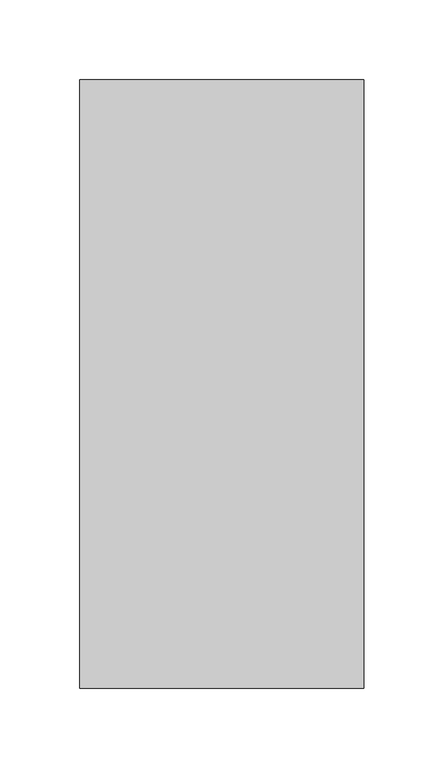
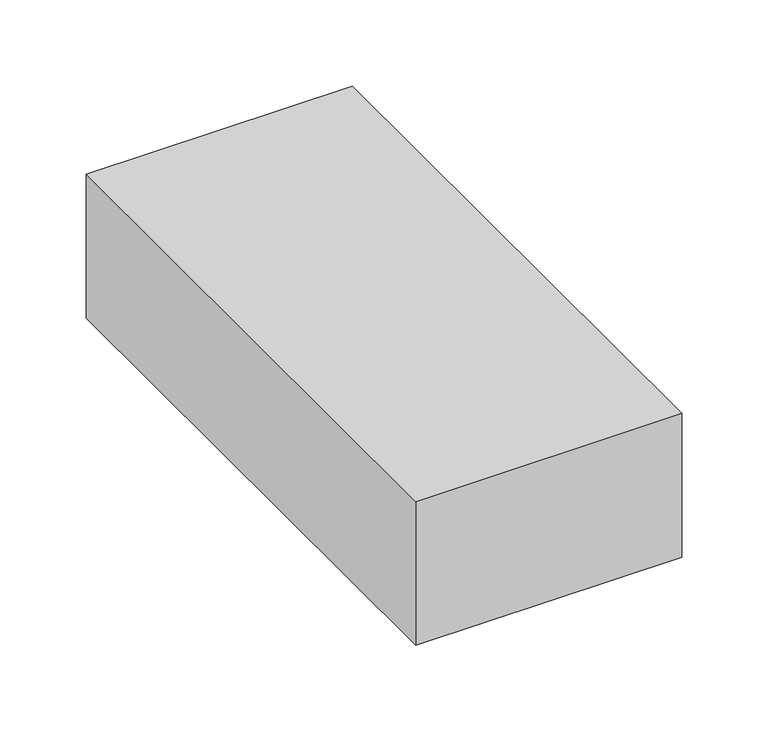
"""IFC4 building model written with IfcOpenShell, lengths in millimetres: proxy geometry."""

from ifc_helpers import new_model, si_unit, point, frame, frame_2d, origin, origin_with_axes, place, context, project, spatial, polyline, circle_curve, ellipse_curve, trimmed, segment, composite_curve, outline, extrude, source, transform, mapped, element, save
from ifc_brep_helpers import plane_surface, cylinder_surface, revolved_surface, advanced_brep


def specialty_equipment_267c1d23(model_context):
    return source(origin(), model_context, "Body", "SolidModel", [
        extrude(outline(polyline([(88.9, 190.5), (88.9, -190.5), (-88.9, -190.5), (-88.9, 190.5), (88.9, 190.5)])), origin_with_axes(), (0.0, 0.0, 1.0), 101.6),
        extrude(outline(composite_curve([segment(polyline([(0.0, -73.025), (0.0, 73.025), (50.8, 73.025)]), True, "CONTINUOUS"), segment(trimmed(circle_curve(frame_2d((50.8, 66.675)), 6.35), [point((50.8, 73.025))], [point((57.15, 66.675))], False, "CARTESIAN"), True, "CONTINUOUS"), segment(polyline([(57.15, 66.675), (57.15, -66.675)]), True, "CONTINUOUS"), segment(trimmed(circle_curve(frame_2d((50.8, -66.675)), 6.35), [point((57.15, -66.675))], [point((50.8, -73.025))], False, "CARTESIAN"), True, "CONTINUOUS"), segment(polyline([(50.8, -73.025), (0.0, -73.025)]), True, "CONTINUOUS")], self_intersect=False)), frame((0.0, -98.425, 0.0), z_axis=(0.0, 1.0, 0.0), x_axis=(0.0, 0.0, 1.0)), (0.0, 0.0, 1.0), 1.5875),
        extrude(outline(composite_curve([segment(trimmed(circle_curve(frame_2d((41.275, 0.0)), 9.525), [point((41.275, -9.525))], [point((41.275, 9.525))], False, "CARTESIAN"), True, "CONTINUOUS"), segment(trimmed(circle_curve(frame_2d((41.275, 0.0)), 9.525), [point((41.275, 9.525))], [point((41.275, -9.525))], False, "CARTESIAN"), True, "CONTINUOUS")], self_intersect=False)), frame((0.0, -111.125, 0.0), z_axis=(0.0, 1.0, 0.0), x_axis=(0.0, 0.0, 1.0)), (0.0, 0.0, 1.0), 12.7),
        extrude(outline(composite_curve([segment(polyline([(68.2625, 66.675), (68.2625, -66.675)]), True, "CONTINUOUS"), segment(trimmed(circle_curve(frame_2d((50.8, -66.675)), 17.4625), [point((68.2625, -66.675))], [point((50.8, -84.1375))], False, "CARTESIAN"), True, "CONTINUOUS"), segment(polyline([(50.8, -84.1375), (0.0, -84.1375), (0.0, 84.1375), (50.8, 84.1375)]), True, "CONTINUOUS"), segment(trimmed(circle_curve(frame_2d((50.8, 66.675)), 17.4625), [point((50.8, 84.1375))], [point((68.2625, 66.675))], False, "CARTESIAN"), True, "CONTINUOUS")], self_intersect=False)), frame((0.0, -28.575, 0.0), z_axis=(0.0, 1.0, 0.0), x_axis=(0.0, 0.0, 1.0)), (0.0, 0.0, 1.0), 111.125),
        extrude(outline(composite_curve([segment(polyline([(50.8, -85.725), (0.0, -85.725), (0.0, -84.1375), (50.8, -84.1375)]), True, "CONTINUOUS"), segment(trimmed(circle_curve(frame_2d((50.8, -66.675)), 17.4625), [point((50.8, -84.1375))], [point((68.2625, -66.675))], True, "CARTESIAN"), True, "CONTINUOUS"), segment(polyline([(68.2625, -66.675), (68.2625, 66.675)]), True, "CONTINUOUS"), segment(trimmed(circle_curve(frame_2d((50.8, 66.675)), 17.4625), [point((68.2625, 66.675))], [point((50.8, 84.1375))], True, "CARTESIAN"), True, "CONTINUOUS"), segment(polyline([(50.8, 84.1375), (0.0, 84.1375), (0.0, 85.725), (50.8, 85.725)]), True, "CONTINUOUS"), segment(trimmed(circle_curve(frame_2d((50.8, 66.675)), 19.05), [point((50.8, 85.725))], [point((69.85, 66.675))], False, "CARTESIAN"), True, "CONTINUOUS"), segment(polyline([(69.85, 66.675), (69.85, -66.675)]), True, "CONTINUOUS"), segment(trimmed(circle_curve(frame_2d((50.8, -66.675)), 19.05), [point((69.85, -66.675))], [point((50.8, -85.725))], False, "CARTESIAN"), True, "CONTINUOUS")], self_intersect=False)), frame((0.0, -28.575, 0.0), z_axis=(0.0, 1.0, 0.0), x_axis=(0.0, 0.0, 1.0)), (0.0, 0.0, 1.0), 152.5055496),
        advanced_brep(
        [(-85.725, 165.1, 0.0), (-73.025, 177.8, 0.0), (-73.025, 176.2125, 0.0), (-84.1375, 165.1, 0.0), (-84.1375, 123.9305496, 0.0), (-85.725, 123.9305496, 0.0), (-85.725, 165.1, 50.8), (-73.025, 177.8, 50.8), (-73.025, 176.2125, 50.8), (-84.1375, 165.1, 50.8), (-84.1375, 123.9305496, 50.8), (-66.675, 123.9305496, 68.2625), (66.675, 123.9305496, 68.2625), (84.1375, 123.9305496, 50.8), (84.1375, 123.9305496, 0.0), (85.725, 123.9305496, 0.0), (85.725, 123.9305496, 50.8), (66.675, 123.9305496, 69.85), (-66.675, 123.9305496, 69.85), (-85.725, 123.9305496, 50.8), (-66.675, 177.8, 57.15), (-66.675, 165.1, 69.85), (-66.675, 176.2125, 57.15), (-66.675, 165.1, 68.2625), (66.675, 165.1, 69.85), (66.675, 177.8, 57.15), (66.675, 176.2125, 57.15), (66.675, 165.1, 68.2625), (73.025, 177.8, 50.8), (85.725, 165.1, 50.8), (73.025, 176.2125, 50.8), (84.1375, 165.1, 50.8), (85.725, 165.1, 0.0), (84.1375, 165.1, 0.0), (73.025, 176.2125, 0.0), (73.025, 177.8, 0.0)],
        [
            (0, 1, circle_curve(frame((-73.025, 165.1, 0.0), z_axis=(0.0, 0.0, -1.0), x_axis=(1.0, 0.0, 0.0)), 12.7)),
            (1, 2),
            (2, 3, circle_curve(frame((-73.025, 165.1, 0.0), z_axis=(0.0, 0.0, 1.0), x_axis=(1.0, 0.0, 0.0)), 11.1125)),
            (3, 4),
            (4, 5),
            (5, 0),
            (0, 6),
            (6, 7, circle_curve(frame((-73.025, 165.1, 50.8), z_axis=(0.0, 0.0, -1.0), x_axis=(1.0, 0.0, 0.0)), 12.7)),
            (7, 1),
            (7, 8),
            (8, 2),
            (8, 9, circle_curve(frame((-73.025, 165.1, 50.8), z_axis=(0.0, 0.0, 1.0), x_axis=(1.0, 0.0, 0.0)), 11.1125)),
            (9, 3),
            (9, 10),
            (10, 4),
            (10, 11, circle_curve(frame((-66.675, 123.9305496, 50.8), z_axis=(0.0, 1.0, 0.0), x_axis=(-1.0, 0.0, 0.0)), 17.4625)),
            (11, 12),
            (12, 13, circle_curve(frame((66.675, 123.9305496, 50.8), z_axis=(0.0, 1.0, 0.0), x_axis=(0.0, 0.0, 1.0)), 17.4625)),
            (13, 14),
            (14, 15),
            (15, 16),
            (16, 17, circle_curve(frame((66.675, 123.9305496, 50.8), z_axis=(0.0, -1.0, 0.0), x_axis=(0.0, 0.0, 1.0)), 19.05)),
            (17, 18),
            (18, 19, circle_curve(frame((-66.675, 123.9305496, 50.8), z_axis=(0.0, -1.0, 0.0), x_axis=(-1.0, 0.0, 0.0)), 19.05)),
            (19, 5),
            (19, 6),
            (20, 7, circle_curve(frame((-66.675, 177.8, 50.8), z_axis=(0.0, -1.0, 0.0), x_axis=(-1.0, 0.0, 0.0)), 6.35)),
            (6, 21, circle_curve(frame((-66.675, 165.1, 50.8), z_axis=(0.0, 1.0, 0.0), x_axis=(-1.0, 0.0, 0.0)), 19.05)),
            (21, 20, circle_curve(frame((-66.675, 165.1, 57.15), z_axis=(-1.0, 0.0, 0.0), x_axis=(0.0, 0.0, -1.0)), 12.7)),
            (22, 8, circle_curve(frame((-66.675, 176.2125, 50.8), z_axis=(0.0, -1.0, 0.0), x_axis=(-1.0, 0.0, 0.0)), 6.35)),
            (20, 22),
            (23, 9, circle_curve(frame((-66.675, 165.1, 50.8), z_axis=(0.0, -1.0, 0.0), x_axis=(-1.0, 0.0, 0.0)), 17.4625)),
            (22, 23, circle_curve(frame((-66.675, 165.1, 57.15), z_axis=(1.0, 0.0, 0.0), x_axis=(0.0, 0.0, -1.0)), 11.1125)),
            (23, 11),
            (18, 21),
            (21, 24),
            (24, 25, circle_curve(frame((66.675, 165.1, 57.15), z_axis=(-1.0, 0.0, 0.0), x_axis=(0.0, 0.0, -1.0)), 12.7)),
            (25, 20),
            (25, 26),
            (26, 22),
            (26, 27, circle_curve(frame((66.675, 165.1, 57.15), z_axis=(1.0, 0.0, 0.0), x_axis=(0.0, 0.0, -1.0)), 11.1125)),
            (27, 23),
            (27, 12),
            (17, 24),
            (28, 25, circle_curve(frame((66.675, 177.8, 50.8), z_axis=(0.0, -1.0, 0.0), x_axis=(0.0, 0.0, 1.0)), 6.35)),
            (24, 29, circle_curve(frame((66.675, 165.1, 50.8), z_axis=(0.0, 1.0, 0.0), x_axis=(0.0, 0.0, 1.0)), 19.05)),
            (29, 28, circle_curve(frame((73.025, 165.1, 50.8), z_axis=(0.0, 0.0, 1.0), x_axis=(-1.0, 0.0, 0.0)), 12.7)),
            (30, 26, circle_curve(frame((66.675, 176.2125, 50.8), z_axis=(0.0, -1.0, 0.0), x_axis=(0.0, 0.0, 1.0)), 6.35)),
            (28, 30),
            (31, 27, circle_curve(frame((66.675, 165.1, 50.8), z_axis=(0.0, -1.0, 0.0), x_axis=(0.0, 0.0, 1.0)), 17.4625)),
            (30, 31, circle_curve(frame((73.025, 165.1, 50.8), z_axis=(0.0, 0.0, -1.0), x_axis=(-1.0, 0.0, 0.0)), 11.1125)),
            (31, 13),
            (16, 29),
            (32, 15),
            (14, 33),
            (33, 34, circle_curve(frame((73.025, 165.1, 0.0), z_axis=(0.0, 0.0, 1.0), x_axis=(-1.0, 0.0, 0.0)), 11.1125)),
            (34, 35),
            (35, 32, circle_curve(frame((73.025, 165.1, 0.0), z_axis=(0.0, 0.0, -1.0), x_axis=(-1.0, 0.0, 0.0)), 12.7)),
            (29, 32),
            (35, 28),
            (34, 30),
            (33, 31),
        ],
        [
            plane_surface(frame((-85.725, 114.3, 0.0), z_axis=(0.0, 0.0, -1.0), x_axis=(0.0, 1.0, 0.0))),
            cylinder_surface(frame((-73.025, 165.1, 0.0), z_axis=(0.0, 0.0, -1.0), x_axis=(1.0, 0.0, 0.0)), 12.7),
            plane_surface(frame((-73.025, 177.8, 0.0), z_axis=(1.0, 0.0, 0.0), x_axis=(0.0, 0.0, 1.0))),
            revolved_surface(polyline([(-61.91250000000001, 165.1, 50.8), (-61.91250000000001, 165.1, 0.0)]), (-73.025, 165.1, 0.0), (0.0, 0.0, 1.0)),
            plane_surface(frame((-84.1375, 165.1, 0.0), z_axis=(1.0, 0.0, 0.0), x_axis=(0.0, 0.0, 1.0))),
            plane_surface(frame((-84.1375, 123.9305496, 0.0), z_axis=(0.0, -1.0, 0.0), x_axis=(0.0, 0.0, 1.0))),
            plane_surface(frame((-85.725, 123.9305496, 0.0), z_axis=(-1.0, 0.0, 0.0), x_axis=(0.0, 0.0, 1.0))),
            revolved_surface(trimmed(ellipse_curve(frame((-73.025, 165.1, 50.8), z_axis=(0.0, 0.0, -1.0), x_axis=(1.0, 0.0, 0.0)), 12.7, 12.7), [point((-85.725, 165.1, 50.8))], [point((-73.025, 177.8, 50.8))], True, "CARTESIAN"), (-66.675, 114.3, 50.8), (0.0, 1.0, 0.0)),
            revolved_surface(polyline([(-73.02499999999999, 177.8, 50.8), (-73.02499999999999, 176.2125, 50.8)]), (-66.675, 114.3, 50.8), (0.0, 1.0, 0.0)),
            revolved_surface(trimmed(ellipse_curve(frame((-73.025, 165.1, 50.8), z_axis=(0.0, 0.0, 1.0), x_axis=(1.0, 0.0, 0.0)), 11.1125, 11.1125), [point((-73.025, 176.2125, 50.8))], [point((-84.1375, 165.1, 50.8))], True, "CARTESIAN"), (-66.675, 114.3, 50.8), (0.0, 1.0, 0.0)),
            revolved_surface(polyline([(-84.13749999999999, 165.1, 50.8), (-84.13749999999999, 123.9305496, 50.8)]), (-66.675, 114.3, 50.8), (0.0, 1.0, 0.0)),
            cylinder_surface(frame((-66.675, 114.3, 50.8), z_axis=(0.0, 1.0, 0.0), x_axis=(-1.0, 0.0, 0.0)), 19.05),
            cylinder_surface(frame((-66.675, 165.1, 57.15), z_axis=(-1.0, 0.0, 0.0), x_axis=(0.0, 0.0, -1.0)), 12.7),
            plane_surface(frame((-66.675, 177.8, 57.15), z_axis=(0.0, 0.0, -1.0), x_axis=(1.0, 0.0, 0.0))),
            revolved_surface(polyline([(66.675, 165.1, 46.037499999999994), (-66.675, 165.1, 46.037499999999994)]), (-66.675, 165.1, 57.15), (1.0, 0.0, 0.0)),
            plane_surface(frame((-66.675, 165.1, 68.2625), z_axis=(0.0, 0.0, -1.0), x_axis=(1.0, 0.0, 0.0))),
            plane_surface(frame((-66.675, 123.9305496, 69.85), z_axis=(0.0, 0.0, 1.0), x_axis=(1.0, 0.0, 0.0))),
            revolved_surface(trimmed(ellipse_curve(frame((66.675, 165.1, 57.15), z_axis=(-1.0, 0.0, 0.0), x_axis=(0.0, 0.0, -1.0)), 12.7, 12.7), [point((66.675, 165.1, 69.85))], [point((66.675, 177.8, 57.15))], True, "CARTESIAN"), (66.675, 114.3, 50.8), (0.0, 1.0, 0.0)),
            revolved_surface(polyline([(66.675, 177.8, 57.15), (66.675, 176.2125, 57.15)]), (66.675, 114.3, 50.8), (0.0, 1.0, 0.0)),
            revolved_surface(trimmed(ellipse_curve(frame((66.675, 165.1, 57.15), z_axis=(1.0, 0.0, 0.0), x_axis=(0.0, 0.0, -1.0)), 11.1125, 11.1125), [point((66.675, 176.2125, 57.15))], [point((66.675, 165.1, 68.2625))], True, "CARTESIAN"), (66.675, 114.3, 50.8), (0.0, 1.0, 0.0)),
            revolved_surface(polyline([(66.675, 165.1, 68.26249999999999), (66.675, 123.9305496, 68.26249999999999)]), (66.675, 114.3, 50.8), (0.0, 1.0, 0.0)),
            cylinder_surface(frame((66.675, 114.3, 50.8), z_axis=(0.0, 1.0, 0.0), x_axis=(0.0, 0.0, 1.0)), 19.05),
            plane_surface(frame((85.725, 114.3, 0.0), z_axis=(0.0, 0.0, -1.0), x_axis=(0.0, 1.0, 0.0))),
            cylinder_surface(frame((73.025, 165.1, 50.8), z_axis=(0.0, 0.0, 1.0), x_axis=(-1.0, 0.0, 0.0)), 12.7),
            plane_surface(frame((73.025, 177.8, 50.8), z_axis=(-1.0, 0.0, 0.0), x_axis=(0.0, 0.0, -1.0))),
            revolved_surface(polyline([(61.91250000000001, 165.1, 0.0), (61.91250000000001, 165.1, 50.8)]), (73.025, 165.1, 50.8), (0.0, 0.0, -1.0)),
            plane_surface(frame((84.1375, 165.1, 50.8), z_axis=(-1.0, 0.0, 0.0), x_axis=(0.0, 0.0, -1.0))),
            plane_surface(frame((85.725, 123.9305496, 50.8), z_axis=(1.0, 0.0, 0.0), x_axis=(0.0, 0.0, -1.0))),
        ],
        [
            (0, [[1, 2, 3, 4, 5, 6]]),
            (1, [[-1, 7, 8, 9]]),
            (2, [[-2, -9, 10, 11]]),
            (3, [[-3, -11, 12, 13]]),
            (4, [[-4, -13, 14, 15]]),
            (5, [[-5, -15, 16, 17, 18, 19, 20, 21, 22, 23, 24, 25]]),
            (6, [[-6, -25, 26, -7]]),
            (7, [[27, -8, 28, 29]]),
            (8, [[30, -10, -27, 31]]),
            (9, [[32, -12, -30, 33]]),
            (10, [[-16, -14, -32, 34]]),
            (11, [[-28, -26, -24, 35]]),
            (12, [[-29, 36, 37, 38]]),
            (13, [[-31, -38, 39, 40]]),
            (14, [[-33, -40, 41, 42]]),
            (15, [[-34, -42, 43, -17]]),
            (16, [[-35, -23, 44, -36]]),
            (17, [[45, -37, 46, 47]]),
            (18, [[48, -39, -45, 49]]),
            (19, [[50, -41, -48, 51]]),
            (20, [[-18, -43, -50, 52]]),
            (21, [[-46, -44, -22, 53]]),
            (22, [[54, -20, 55, 56, 57, 58]]),
            (23, [[-47, 59, -58, 60]]),
            (24, [[-49, -60, -57, 61]]),
            (25, [[-51, -61, -56, 62]]),
            (26, [[-52, -62, -55, -19]]),
            (27, [[-53, -21, -54, -59]]),
        ],
    ),
        advanced_brep(
        [(-85.725, -85.725, 0.0), (-85.725, -28.575, 0.0), (-84.1375, -28.575, 0.0), (-84.1375, -85.725, 0.0), (-73.025, -96.8375, 0.0), (-73.025, -98.425, 0.0), (-85.725, -85.725, 50.8), (-85.725, -28.575, 50.8), (-66.675, -28.575, 69.85), (66.675, -28.575, 69.85), (85.725, -28.575, 50.8), (85.725, -28.575, 0.0), (84.1375, -28.575, 0.0), (84.1375, -28.575, 50.8), (66.675, -28.575, 68.2625), (-66.675, -28.575, 68.2625), (-84.1375, -28.575, 50.8), (-84.1375, -85.725, 50.8), (-73.025, -96.8375, 50.8), (-73.025, -98.425, 50.8), (-66.675, -85.725, 69.85), (-66.675, -85.725, 68.2625), (-66.675, -96.8375, 57.15), (-66.675, -98.425, 57.15), (66.675, -85.725, 69.85), (66.675, -85.725, 68.2625), (66.675, -96.8375, 57.15), (66.675, -98.425, 57.15), (85.725, -85.725, 50.8), (84.1375, -85.725, 50.8), (73.025, -96.8375, 50.8), (73.025, -98.425, 50.8), (85.725, -85.725, 0.0), (73.025, -98.425, 0.0), (73.025, -96.8375, 0.0), (84.1375, -85.725, 0.0)],
        [
            (0, 1),
            (1, 2),
            (2, 3),
            (3, 4, circle_curve(frame((-73.025, -85.725, 0.0), z_axis=(0.0, 0.0, 1.0), x_axis=(1.0, 0.0, 0.0)), 11.1125)),
            (4, 5),
            (5, 0, circle_curve(frame((-73.025, -85.725, 0.0), z_axis=(0.0, 0.0, -1.0), x_axis=(1.0, 0.0, 0.0)), 12.7)),
            (0, 6),
            (6, 7),
            (7, 1),
            (7, 8, circle_curve(frame((-66.675, -28.575, 50.8), z_axis=(0.0, 1.0, 0.0), x_axis=(-1.0, 0.0, 0.0)), 19.05)),
            (8, 9),
            (9, 10, circle_curve(frame((66.675, -28.575, 50.8), z_axis=(0.0, 1.0, 0.0), x_axis=(0.0, 0.0, 1.0)), 19.05)),
            (10, 11),
            (11, 12),
            (12, 13),
            (13, 14, circle_curve(frame((66.675, -28.575, 50.8), z_axis=(0.0, -1.0, 0.0), x_axis=(0.0, 0.0, 1.0)), 17.4625)),
            (14, 15),
            (15, 16, circle_curve(frame((-66.675, -28.575, 50.8), z_axis=(0.0, -1.0, 0.0), x_axis=(-1.0, 0.0, 0.0)), 17.4625)),
            (16, 2),
            (16, 17),
            (17, 3),
            (17, 18, circle_curve(frame((-73.025, -85.725, 50.8), z_axis=(0.0, 0.0, 1.0), x_axis=(1.0, 0.0, 0.0)), 11.1125)),
            (18, 4),
            (18, 19),
            (19, 5),
            (19, 6, circle_curve(frame((-73.025, -85.725, 50.8), z_axis=(0.0, 0.0, -1.0), x_axis=(1.0, 0.0, 0.0)), 12.7)),
            (6, 20, circle_curve(frame((-66.675, -85.725, 50.8), z_axis=(0.0, 1.0, 0.0), x_axis=(-1.0, 0.0, 0.0)), 19.05)),
            (20, 8),
            (21, 17, circle_curve(frame((-66.675, -85.725, 50.8), z_axis=(0.0, -1.0, 0.0), x_axis=(-1.0, 0.0, 0.0)), 17.4625)),
            (15, 21),
            (22, 18, circle_curve(frame((-66.675, -96.8375, 50.8), z_axis=(0.0, -1.0, 0.0), x_axis=(-1.0, 0.0, 0.0)), 6.35)),
            (21, 22, circle_curve(frame((-66.675, -85.725, 57.15), z_axis=(1.0, 0.0, 0.0), x_axis=(0.0, 0.0, -1.0)), 11.1125)),
            (23, 19, circle_curve(frame((-66.675, -98.425, 50.8), z_axis=(0.0, -1.0, 0.0), x_axis=(-1.0, 0.0, 0.0)), 6.35)),
            (22, 23),
            (23, 20, circle_curve(frame((-66.675, -85.725, 57.15), z_axis=(-1.0, 0.0, 0.0), x_axis=(0.0, 0.0, -1.0)), 12.7)),
            (20, 24),
            (24, 9),
            (14, 25),
            (25, 21),
            (25, 26, circle_curve(frame((66.675, -85.725, 57.15), z_axis=(1.0, 0.0, 0.0), x_axis=(0.0, 0.0, -1.0)), 11.1125)),
            (26, 22),
            (26, 27),
            (27, 23),
            (27, 24, circle_curve(frame((66.675, -85.725, 57.15), z_axis=(-1.0, 0.0, 0.0), x_axis=(0.0, 0.0, -1.0)), 12.7)),
            (24, 28, circle_curve(frame((66.675, -85.725, 50.8), z_axis=(0.0, 1.0, 0.0), x_axis=(0.0, 0.0, 1.0)), 19.05)),
            (28, 10),
            (29, 25, circle_curve(frame((66.675, -85.725, 50.8), z_axis=(0.0, -1.0, 0.0), x_axis=(0.0, 0.0, 1.0)), 17.4625)),
            (13, 29),
            (30, 26, circle_curve(frame((66.675, -96.8375, 50.8), z_axis=(0.0, -1.0, 0.0), x_axis=(0.0, 0.0, 1.0)), 6.35)),
            (29, 30, circle_curve(frame((73.025, -85.725, 50.8), z_axis=(0.0, 0.0, -1.0), x_axis=(-1.0, 0.0, 0.0)), 11.1125)),
            (31, 27, circle_curve(frame((66.675, -98.425, 50.8), z_axis=(0.0, -1.0, 0.0), x_axis=(0.0, 0.0, 1.0)), 6.35)),
            (30, 31),
            (31, 28, circle_curve(frame((73.025, -85.725, 50.8), z_axis=(0.0, 0.0, 1.0), x_axis=(-1.0, 0.0, 0.0)), 12.7)),
            (32, 33, circle_curve(frame((73.025, -85.725, 0.0), z_axis=(0.0, 0.0, -1.0), x_axis=(-1.0, 0.0, 0.0)), 12.7)),
            (33, 34),
            (34, 35, circle_curve(frame((73.025, -85.725, 0.0), z_axis=(0.0, 0.0, 1.0), x_axis=(-1.0, 0.0, 0.0)), 11.1125)),
            (35, 12),
            (11, 32),
            (28, 32),
            (35, 29),
            (34, 30),
            (33, 31),
        ],
        [
            plane_surface(frame((-85.725, -98.425, 0.0), z_axis=(0.0, 0.0, -1.0), x_axis=(0.0, 1.0, 0.0))),
            plane_surface(frame((-85.725, -85.725, 0.0), z_axis=(-1.0, 0.0, 0.0), x_axis=(0.0, 0.0, 1.0))),
            plane_surface(frame((-85.725, -28.575, 0.0), z_axis=(0.0, 1.0, 0.0), x_axis=(0.0, 0.0, 1.0))),
            plane_surface(frame((-84.1375, -28.575, 0.0), z_axis=(1.0, 0.0, 0.0), x_axis=(0.0, 0.0, 1.0))),
            revolved_surface(polyline([(-61.91250000000001, -85.725, 50.8), (-61.91250000000001, -85.725, 0.0)]), (-73.025, -85.725, 0.0), (0.0, 0.0, 1.0)),
            plane_surface(frame((-73.025, -96.8375, 0.0), z_axis=(1.0, 0.0, 0.0), x_axis=(0.0, 0.0, 1.0))),
            cylinder_surface(frame((-73.025, -85.725, 0.0), z_axis=(0.0, 0.0, -1.0), x_axis=(1.0, 0.0, 0.0)), 12.7),
            cylinder_surface(frame((-66.675, -98.425, 50.8), z_axis=(0.0, 1.0, 0.0), x_axis=(-1.0, 0.0, 0.0)), 19.05),
            revolved_surface(polyline([(-84.13749999999999, -28.575000000000003, 50.8), (-84.13749999999999, -85.725, 50.8)]), (-66.675, -98.425, 50.8), (0.0, 1.0, 0.0)),
            revolved_surface(trimmed(ellipse_curve(frame((-73.025, -85.725, 50.8), z_axis=(0.0, 0.0, 1.0), x_axis=(1.0, 0.0, 0.0)), 11.1125, 11.1125), [point((-84.1375, -85.725, 50.8))], [point((-73.025, -96.8375, 50.8))], True, "CARTESIAN"), (-66.675, -98.425, 50.8), (0.0, 1.0, 0.0)),
            revolved_surface(polyline([(-73.02499999999999, -96.8375, 50.8), (-73.02499999999999, -98.425, 50.8)]), (-66.675, -98.425, 50.8), (0.0, 1.0, 0.0)),
            revolved_surface(trimmed(ellipse_curve(frame((-73.025, -85.725, 50.8), z_axis=(0.0, 0.0, -1.0), x_axis=(1.0, 0.0, 0.0)), 12.7, 12.7), [point((-73.025, -98.425, 50.8))], [point((-85.725, -85.725, 50.8))], True, "CARTESIAN"), (-66.675, -98.425, 50.8), (0.0, 1.0, 0.0)),
            plane_surface(frame((-66.675, -85.725, 69.85), z_axis=(0.0, 0.0, 1.0), x_axis=(1.0, 0.0, 0.0))),
            plane_surface(frame((-66.675, -28.575, 68.2625), z_axis=(0.0, 0.0, -1.0), x_axis=(1.0, 0.0, 0.0))),
            revolved_surface(polyline([(66.675, -85.725, 46.037499999999994), (-66.675, -85.725, 46.037499999999994)]), (-66.675, -85.725, 57.15), (1.0, 0.0, 0.0)),
            plane_surface(frame((-66.675, -96.8375, 57.15), z_axis=(0.0, 0.0, -1.0), x_axis=(1.0, 0.0, 0.0))),
            cylinder_surface(frame((-66.675, -85.725, 57.15), z_axis=(-1.0, 0.0, 0.0), x_axis=(0.0, 0.0, -1.0)), 12.7),
            cylinder_surface(frame((66.675, -98.425, 50.8), z_axis=(0.0, 1.0, 0.0), x_axis=(0.0, 0.0, 1.0)), 19.05),
            revolved_surface(polyline([(66.675, -28.575000000000003, 68.26249999999999), (66.675, -85.725, 68.26249999999999)]), (66.675, -98.425, 50.8), (0.0, 1.0, 0.0)),
            revolved_surface(trimmed(ellipse_curve(frame((66.675, -85.725, 57.15), z_axis=(1.0, 0.0, 0.0), x_axis=(0.0, 0.0, -1.0)), 11.1125, 11.1125), [point((66.675, -85.725, 68.2625))], [point((66.675, -96.8375, 57.15))], True, "CARTESIAN"), (66.675, -98.425, 50.8), (0.0, 1.0, 0.0)),
            revolved_surface(polyline([(66.675, -96.8375, 57.15), (66.675, -98.425, 57.15)]), (66.675, -98.425, 50.8), (0.0, 1.0, 0.0)),
            revolved_surface(trimmed(ellipse_curve(frame((66.675, -85.725, 57.15), z_axis=(-1.0, 0.0, 0.0), x_axis=(0.0, 0.0, -1.0)), 12.7, 12.7), [point((66.675, -98.425, 57.15))], [point((66.675, -85.725, 69.85))], True, "CARTESIAN"), (66.675, -98.425, 50.8), (0.0, 1.0, 0.0)),
            plane_surface(frame((85.725, -98.425, 0.0), z_axis=(0.0, 0.0, -1.0), x_axis=(0.0, 1.0, 0.0))),
            plane_surface(frame((85.725, -85.725, 50.8), z_axis=(1.0, 0.0, 0.0), x_axis=(0.0, 0.0, -1.0))),
            plane_surface(frame((84.1375, -28.575, 50.8), z_axis=(-1.0, 0.0, 0.0), x_axis=(0.0, 0.0, -1.0))),
            revolved_surface(polyline([(61.91250000000001, -85.725, 0.0), (61.91250000000001, -85.725, 50.8)]), (73.025, -85.725, 50.8), (0.0, 0.0, -1.0)),
            plane_surface(frame((73.025, -96.8375, 50.8), z_axis=(-1.0, 0.0, 0.0), x_axis=(0.0, 0.0, -1.0))),
            cylinder_surface(frame((73.025, -85.725, 50.8), z_axis=(0.0, 0.0, 1.0), x_axis=(-1.0, 0.0, 0.0)), 12.7),
        ],
        [
            (0, [[1, 2, 3, 4, 5, 6]]),
            (1, [[-1, 7, 8, 9]]),
            (2, [[-2, -9, 10, 11, 12, 13, 14, 15, 16, 17, 18, 19]]),
            (3, [[-3, -19, 20, 21]]),
            (4, [[-4, -21, 22, 23]]),
            (5, [[-5, -23, 24, 25]]),
            (6, [[-6, -25, 26, -7]]),
            (7, [[-10, -8, 27, 28]]),
            (8, [[29, -20, -18, 30]]),
            (9, [[31, -22, -29, 32]]),
            (10, [[33, -24, -31, 34]]),
            (11, [[-27, -26, -33, 35]]),
            (12, [[-28, 36, 37, -11]]),
            (13, [[-30, -17, 38, 39]]),
            (14, [[-32, -39, 40, 41]]),
            (15, [[-34, -41, 42, 43]]),
            (16, [[-35, -43, 44, -36]]),
            (17, [[-12, -37, 45, 46]]),
            (18, [[47, -38, -16, 48]]),
            (19, [[49, -40, -47, 50]]),
            (20, [[51, -42, -49, 52]]),
            (21, [[-45, -44, -51, 53]]),
            (22, [[54, 55, 56, 57, -14, 58]]),
            (23, [[-46, 59, -58, -13]]),
            (24, [[-48, -15, -57, 60]]),
            (25, [[-50, -60, -56, 61]]),
            (26, [[-52, -61, -55, 62]]),
            (27, [[-53, -62, -54, -59]]),
        ],
    ),
        extrude(outline(composite_curve([segment(polyline([(-177.8, 57.15), (-176.2125, 57.15), (-176.2125, 7.14375)]), True, "CONTINUOUS"), segment(trimmed(circle_curve(frame_2d((-169.8625, 7.14375)), 6.35), [point((-176.2125, 7.14375))], [point((-169.8625, 0.79375))], True, "CARTESIAN"), True, "CONTINUOUS"), segment(polyline([(-169.8625, 0.79375), (-96.8375, 0.79375), (-96.8375, 0.0), (-177.8, 0.0), (-177.8, 57.15)]), True, "CONTINUOUS")], self_intersect=False)), frame((-73.025, 0.0, 0.0), z_axis=(1.0, 0.0, 0.0), x_axis=(0.0, 1.0, 0.0)), (0.0, 0.0, 1.0), 146.05),
        extrude(outline(composite_curve([segment(polyline([(0.0, -73.025), (0.0, 73.025), (50.8, 73.025)]), True, "CONTINUOUS"), segment(trimmed(circle_curve(frame_2d((50.8, 66.675)), 6.35), [point((50.8, 73.025))], [point((57.15, 66.675))], False, "CARTESIAN"), True, "CONTINUOUS"), segment(polyline([(57.15, 66.675), (57.15, -66.675)]), True, "CONTINUOUS"), segment(trimmed(circle_curve(frame_2d((50.8, -66.675)), 6.35), [point((57.15, -66.675))], [point((50.8, -73.025))], False, "CARTESIAN"), True, "CONTINUOUS"), segment(polyline([(50.8, -73.025), (0.0, -73.025)]), True, "CONTINUOUS")], self_intersect=False)), frame((0.0, 176.2125, 0.0), z_axis=(0.0, 1.0, 0.0), x_axis=(0.0, 0.0, 1.0)), (0.0, 0.0, 1.0), 1.5875),
    ])


if __name__ == "__main__":
    model = new_model("IFC4")
    model_context = context("Model", 3, world=origin())
    ifc_project = project(units=[si_unit("LENGTHUNIT", "METRE", prefix="MILLI")], contexts=[model_context])
    site = spatial("IfcSite", under=ifc_project)
    building = spatial("IfcBuilding", under=site)
    placement = place(None, origin())
    specialty_equipment_shape = specialty_equipment_267c1d23(model_context)
    element("IfcBuildingElementProxy", 1, Name="Specialty Equipment", at=placement, inside=building, context=model_context, shape_type="MappedRepresentation", body=[
        mapped(specialty_equipment_shape, transform((0.0, 0.0, 0.0), x_axis=(1.0, 0.0, 0.0), y_axis=(0.0, 1.0, 0.0), z_axis=(0.0, 0.0, 1.0))),
    ])
    save(model, "model.ifc")
